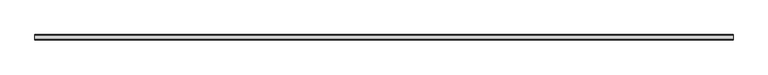
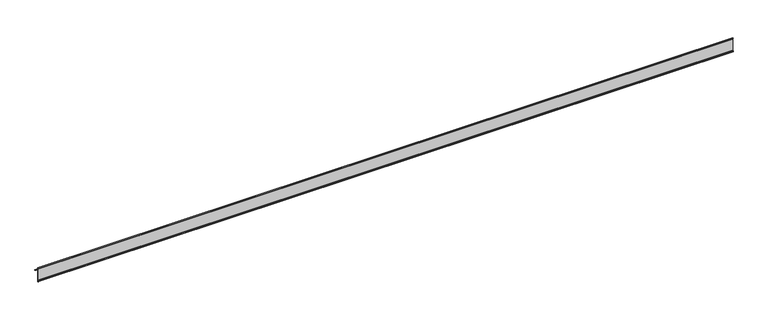
"""IFC4 building model written with IfcOpenShell, lengths in millimetres: proxy geometry."""

from ifc_helpers import new_model, si_unit, point, frame, frame_2d, origin, place, context, project, spatial, polyline, circle_curve, trimmed, segment, composite_curve, outline, extrude, source, transform, mapped, element, save


def generic_models_342398ce(model_context):
    return source(origin(), model_context, "Body", "SweptSolid", [
        extrude(outline(composite_curve([segment(trimmed(circle_curve(frame_2d((-43745.0929479, 306.479592)), 0.8), [point((-43744.8953104, 307.2547949))], [point((-43745.7115968, 305.9723707))], False, "CARTESIAN"), True, "CONTINUOUS"), segment(trimmed(circle_curve(frame_2d((-43726.6286447, 342.063431)), 40.8255275), [point((-43745.7115968, 305.9723707))], [point((-43760.0290666, 318.5871555))], False, "CARTESIAN"), True, "CONTINUOUS"), segment(polyline([(-43760.0290666, 318.5871555), (-43760.0290666, 274.6864927)]), True, "CONTINUOUS"), segment(trimmed(circle_curve(frame_2d((-43761.2790666, 274.6864927)), 1.25), [point((-43760.0290666, 274.6864927))], [point((-43762.5290666, 274.6864927))], False, "CARTESIAN"), True, "CONTINUOUS"), segment(polyline([(-43762.5290666, 274.6864927), (-43762.5290666, 276.6364927), (-43761.5290666, 278.5577822), (-43761.5290666, 318.3272025), (-43761.2135985, 320.4028832)]), True, "CONTINUOUS"), segment(trimmed(circle_curve(frame_2d((-43741.7204795, 336.9379084)), 25.56147), [point((-43761.2135985, 320.4028832))], [point((-43762.5290666, 322.0923215))], False, "CARTESIAN"), True, "CONTINUOUS"), segment(polyline([(-43762.5290666, 322.0923215), (-43761.1790651, 323.5916501)]), True, "CONTINUOUS"), segment(trimmed(circle_curve(frame_2d((-43729.2603507, 339.1227764)), 35.4967634), [point((-43761.1790651, 323.5916501))], [point((-43744.8953104, 307.2547949))], True, "CARTESIAN"), True, "CONTINUOUS")], self_intersect=False)), frame((-5295.3690716, 0.0, 0.0), z_axis=(1.0, 0.0, 0.0), x_axis=(0.0, 1.0, 0.0)), (0.0, 0.0, 1.0), 2400.0),
    ])


if __name__ == "__main__":
    model = new_model("IFC4")
    model_context = context("Model", 3, world=origin())
    ifc_project = project(units=[si_unit("LENGTHUNIT", "METRE", prefix="MILLI")], contexts=[model_context])
    site = spatial("IfcSite", under=ifc_project)
    building = spatial("IfcBuilding", under=site)
    placement = place(None, origin())
    generic_models_shape = generic_models_342398ce(model_context)
    element("IfcBuildingElementProxy", 1, Name="Generic Models", at=placement, inside=building, context=model_context, shape_type="MappedRepresentation", body=[
        mapped(generic_models_shape, transform((0.0, 0.0, 0.0), x_axis=(1.0, 0.0, 0.0), y_axis=(0.0, 1.0, 0.0), z_axis=(0.0, 0.0, 1.0))),
    ])
    save(model, "model.ifc")
